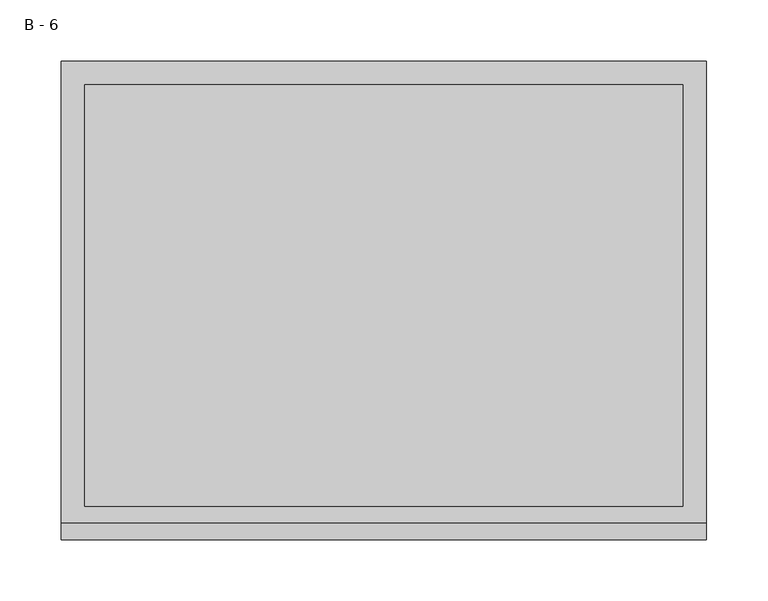
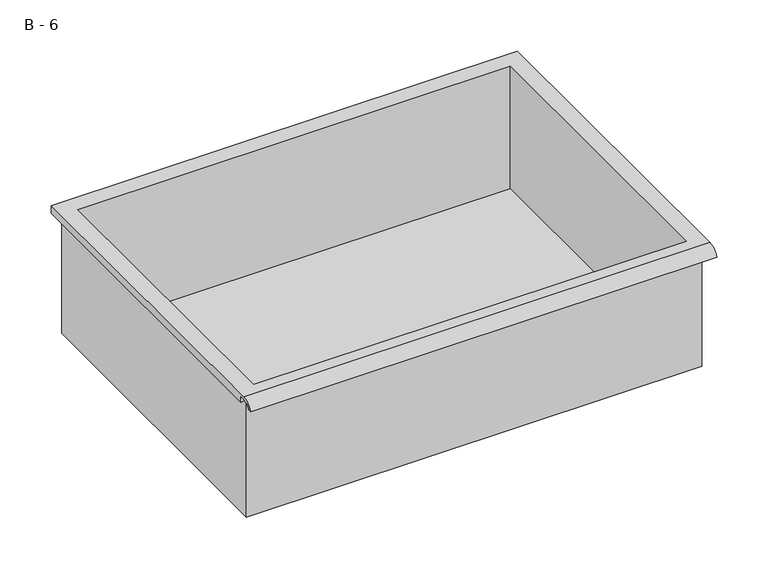
"""IFC4 building model written with IfcOpenShell, lengths in millimetres: furniture geometry, B - 6."""

from ifc_helpers import new_model, si_unit, frame, origin, place, context, project, spatial, polyline, circle_curve, source, transform, mapped, element, save
from ifc_brep_helpers import plane_surface, cylinder_surface, revolved_surface, advanced_brep


def b_6_5e431c7a(model_context):
    return source(origin(), model_context, "Body", "AdvancedBrep", [
        advanced_brep(
        [(-257.1076517, -176.2125, 716.19364), (257.2423483, -176.2125, 716.19364), (257.2423483, -176.2125, 855.89364), (263.5923483, -176.2125, 855.89364), (263.5923483, -176.2125, 862.2007741), (-263.4576517, -176.2125, 862.2007741), (-263.4576517, -176.2125, 855.89364), (-257.1076517, -176.2125, 855.89364), (257.2423483, 185.7375, 716.19364), (-257.1076517, 185.7375, 716.19364), (-257.1076517, 185.7375, 855.89364), (257.2423483, 185.7375, 855.89364), (263.5923483, -181.6070544, 865.41864), (263.5923483, 195.2625, 865.41864), (-263.4576517, 195.2625, 865.41864), (-263.4576517, -181.6070544, 865.41864), (244.5423483, -168.275, 865.41864), (-244.4076517, -168.275, 865.41864), (-244.4076517, 176.2125, 865.41864), (244.5423483, 176.2125, 865.41864), (263.5923483, -195.2625, 855.89364), (263.5923483, -191.8280601, 855.89364), (263.5923483, -180.4714815, 862.2007741), (263.5923483, 195.2625, 855.89364), (-263.4576517, 195.2625, 855.89364), (-263.4576517, -180.4714815, 862.2007741), (-263.4576517, -191.8280601, 855.89364), (-263.4576517, -195.2625, 855.89364), (-244.4076517, -168.275, 719.2198119), (244.5423483, -168.275, 719.2198119), (244.5423483, 176.2125, 719.2198119), (-244.4076517, 176.2125, 719.2198119)],
        [
            (0, 1),
            (1, 2),
            (2, 3),
            (3, 4),
            (4, 5),
            (5, 6),
            (6, 7),
            (7, 0),
            (8, 9),
            (9, 10),
            (10, 11),
            (11, 8),
            (0, 9),
            (8, 1),
            (11, 2),
            (12, 13),
            (13, 14),
            (14, 15),
            (15, 12),
            (16, 17),
            (17, 18),
            (18, 19),
            (19, 16),
            (7, 10),
            (12, 20, circle_curve(frame((263.5923483, -181.6070544, 850.8676259), z_axis=(1.0, 0.0, 0.0), x_axis=(0.0, 1.0, 0.0)), 14.5510141)),
            (20, 21),
            (21, 22, circle_curve(frame((263.5923483, -181.6070544, 850.8676259), z_axis=(-1.0, 0.0, 0.0), x_axis=(0.0, 1.0, 0.0)), 11.3898979)),
            (22, 4),
            (3, 23),
            (23, 13),
            (14, 24),
            (24, 6),
            (5, 25),
            (25, 26, circle_curve(frame((-263.4576517, -181.6070544, 850.8676259), z_axis=(1.0, 0.0, 0.0), x_axis=(0.0, 1.0, 0.0)), 11.3898979)),
            (26, 27),
            (27, 15, circle_curve(frame((-263.4576517, -181.6070544, 850.8676259), z_axis=(-1.0, 0.0, 0.0), x_axis=(0.0, 1.0, 0.0)), 14.5510141)),
            (27, 20),
            (26, 21),
            (25, 22),
            (24, 23),
            (28, 29),
            (29, 30),
            (30, 31),
            (31, 28),
            (28, 17),
            (16, 29),
            (19, 30),
            (18, 31),
        ],
        [
            plane_surface(frame((257.2423483, -176.2125, 716.19364), z_axis=(0.0, -1.0, 0.0), x_axis=(1.0, 0.0, 0.0))),
            plane_surface(frame((257.2423483, 185.7375, 716.19364), z_axis=(0.0, 1.0, 0.0), x_axis=(-1.0, 0.0, 0.0))),
            plane_surface(frame((-257.1076517, -176.2125, 716.19364), z_axis=(0.0, 0.0, -1.0), x_axis=(0.0, 1.0, 0.0))),
            plane_surface(frame((257.2423483, -176.2125, 716.19364), z_axis=(1.0, 0.0, 0.0), x_axis=(0.0, 1.0, 0.0))),
            plane_surface(frame((257.2423483, -176.2125, 865.41864), z_axis=(0.0, 0.0, 1.0), x_axis=(0.0, 1.0, 0.0))),
            plane_surface(frame((-257.1076517, -176.2125, 865.41864), z_axis=(-1.0, 0.0, 0.0), x_axis=(0.0, 1.0, 0.0))),
            plane_surface(frame((263.5923483, 195.2625, 865.41864), z_axis=(1.0, 0.0, 0.0), x_axis=(0.0, -1.0, 0.0))),
            plane_surface(frame((-263.4576517, 195.2625, 865.41864), z_axis=(-1.0, 0.0, 0.0), x_axis=(0.0, 1.0, 0.0))),
            cylinder_surface(frame((-263.4576517, -181.6070544, 850.8676259), z_axis=(1.0, 0.0, 0.0), x_axis=(0.0, 1.0, 0.0)), 14.5510141),
            plane_surface(frame((263.5923483, -195.2625, 855.89364), z_axis=(0.0, -7.212409108515896e-12, -1.0), x_axis=(-1.0, 0.0, 0.0))),
            revolved_surface(polyline([(-263.4576517, -170.21715650000002, 850.8676259), (263.59234829999997, -170.21715650000002, 850.8676259)]), (-263.4576517, -181.6070544, 850.8676259), (-1.0, 0.0, 0.0)),
            plane_surface(frame((263.5923483, -180.4714815, 862.2007741), z_axis=(0.0, -1.782962839538054e-11, -1.0), x_axis=(-1.0, 0.0, 0.0))),
            plane_surface(frame((263.5923483, -176.2125, 855.89364), z_axis=(0.0, 0.0, -1.0), x_axis=(-1.0, 0.0, 0.0))),
            plane_surface(frame((263.5923483, 195.2625, 855.89364), z_axis=(0.0, 1.0, 0.0), x_axis=(-1.0, 0.0, 0.0))),
            plane_surface(frame((244.5423483, -168.275, 719.2198119), z_axis=(0.0, 0.0, 1.0), x_axis=(-1.0, 0.0, 0.0))),
            plane_surface(frame((-244.4076517, -168.275, 865.41864), z_axis=(0.0, 1.0, 0.0), x_axis=(0.0, 0.0, -1.0))),
            plane_surface(frame((244.5423483, -168.275, 865.41864), z_axis=(-1.0, 0.0, 0.0), x_axis=(0.0, 0.0, -1.0))),
            plane_surface(frame((244.5423483, 176.2125, 865.41864), z_axis=(0.0, -1.0, 0.0), x_axis=(0.0, 0.0, -1.0))),
            plane_surface(frame((-244.4076517, 176.2125, 865.41864), z_axis=(1.0, 0.0, 0.0), x_axis=(0.0, 0.0, -1.0))),
        ],
        [
            (0, [[1, 2, 3, 4, 5, 6, 7, 8]]),
            (1, [[9, 10, 11, 12]]),
            (2, [[-1, 13, -9, 14]]),
            (3, [[-14, -12, 15, -2]]),
            (4, [[16, 17, 18, 19], [20, 21, 22, 23]]),
            (5, [[-13, -8, 24, -10]]),
            (6, [[-16, 25, 26, 27, 28, -4, 29, 30]]),
            (7, [[31, 32, -6, 33, 34, 35, 36, -18]]),
            (8, [[-25, -19, -36, 37]]),
            (9, [[-26, -37, -35, 38]]),
            (10, [[-27, -38, -34, 39]]),
            (11, [[-28, -39, -33, -5]]),
            (12, [[-29, -3, -15, -11, -24, -7, -32, 40]]),
            (13, [[-30, -40, -31, -17]]),
            (14, [[41, 42, 43, 44]]),
            (15, [[-41, 45, -20, 46]]),
            (16, [[-42, -46, -23, 47]]),
            (17, [[-43, -47, -22, 48]]),
            (18, [[-44, -48, -21, -45]]),
        ],
    ),
    ])


if __name__ == "__main__":
    model = new_model("IFC4")
    model_context = context("Model", 3, world=origin())
    ifc_project = project(units=[si_unit("LENGTHUNIT", "METRE", prefix="MILLI")], contexts=[model_context])
    site = spatial("IfcSite", under=ifc_project)
    building = spatial("IfcBuilding", under=site)
    placement = place(None, origin())
    b_6_shape = b_6_5e431c7a(model_context)
    element("IfcFurniture", 1, ObjectType="B - 6", at=placement, inside=building, context=model_context, shape_type="MappedRepresentation", body=[
        mapped(b_6_shape, transform((0.0, 0.0, 0.0), x_axis=(1.0, 0.0, 0.0), y_axis=(0.0, 1.0, 0.0), z_axis=(0.0, 0.0, 1.0))),
    ])
    save(model, "model.ifc")
